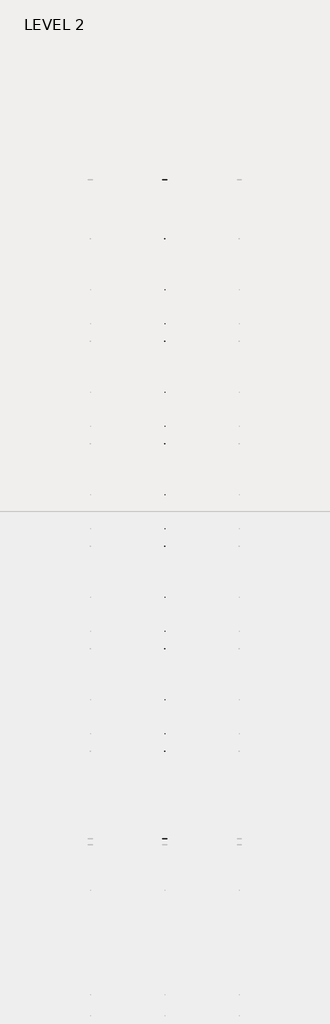
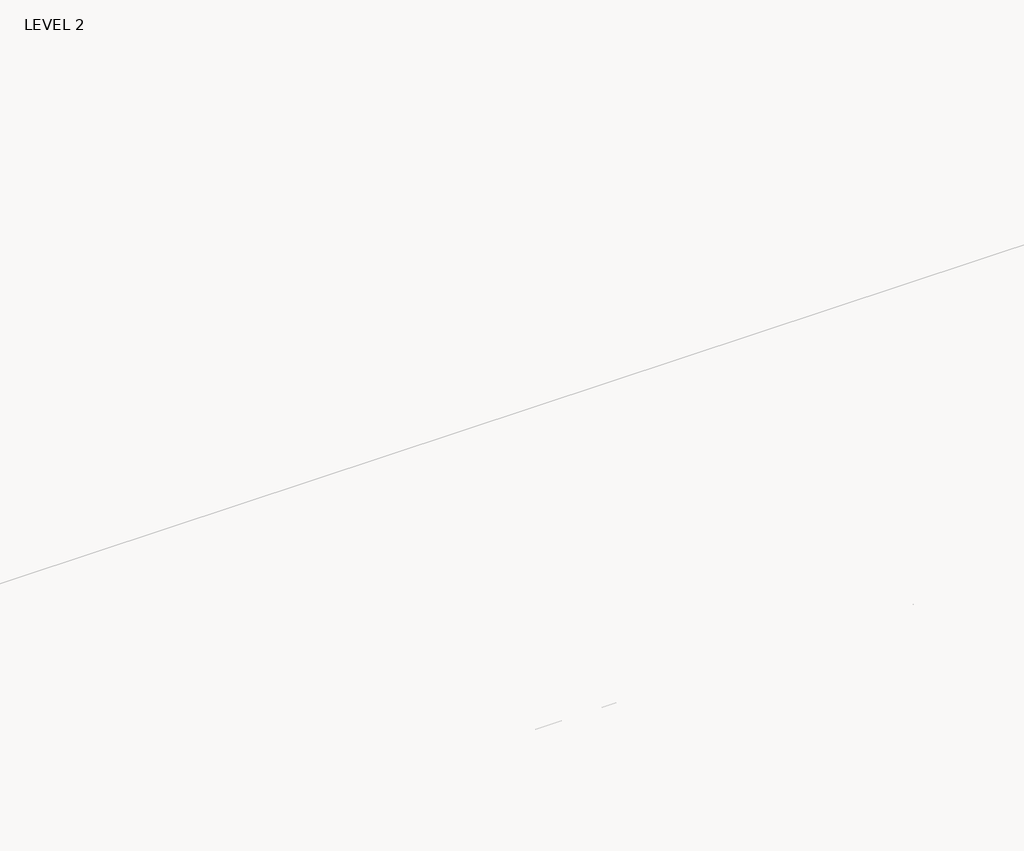
# One storey, part 27 of 67: 1 beam.
"""IFC4 building model written with IfcOpenShell, lengths in millimetres."""

from ifc_helpers import new_model, si_unit, frame, origin, place, context, project, spatial, polyline, outline, extrude, faceted_brep, element, save

model = new_model("IFC4")

# Units and contexts
model_context = context("Model", 3, world=origin())
ifc_project = project(units=[si_unit("LENGTHUNIT", "METRE", prefix="MILLI")], contexts=[model_context])

# Site, building, storey
site = spatial("IfcSite", under=ifc_project)
building = spatial("IfcBuilding", under=site)
storey = spatial("IfcBuildingStorey", under=building, Name="LEVEL 2", Elevation=6908.8)

# Beam
placement = place(None, origin())
element("IfcBeam", 1, ObjectType="K-Series Bar Joist-Angle Web : 20K3", at=placement, inside=storey, context=model_context, shape_type="SolidModel", body=[
    extrude(outline(polyline([(0.0, -9.525), (0.0, 0.0), (1028.0726482, 0.0), (1028.0726482, -9.525), (0.0, -9.525)])), frame((16225.0814942, 3035.5839205, 6301.58688), z_axis=(0.0, -0.4590612504427091, 0.8884046197212035), x_axis=(0.0, -0.8884046197212035, -0.4590612504427091)), (0.0, 0.0, 1.0), 9.525),
    extrude(outline(polyline([(0.0, -9.525), (0.0, 0.0), (1028.0726482, 0.0), (1028.0726482, -9.525), (0.0, -9.525)])), frame((16215.5564942, -8186.0164735, 6276.4352176), z_axis=(0.0, 0.45507418639266606, 0.8904535276358071), x_axis=(0.0, 0.8904535276358071, -0.45507418639266606)), (0.0, 0.0, 1.0), 9.525),
    extrude(outline(polyline([(4.7625, 4.7625), (4.7625, -4.7624999), (-4.7625, -4.7624999), (-4.7625, 4.7625), (4.7625, 4.7625)])), frame((16220.3189942, 2120.0531513, 5833.8695915), z_axis=(0.0, 0.5277744838731272, 0.8493845384585561), x_axis=(-1.0, 0.0, 0.0)), (0.0, 0.0, 1.0), 553.9970421),
    extrude(outline(polyline([(4.7625, 4.7625), (4.7625, -4.7625), (-4.7625, -4.7625), (-4.7625, 4.7625), (4.7625, 4.7625)])), frame((16220.3189942, -7268.3982664, 5812.8266786), z_axis=(0.0, -0.5315767175055621, 0.8470101495295153), x_axis=(-1.0, 0.0, 0.0)), (0.0, 0.0, 1.0), 553.9970421),
    extrude(outline(polyline([(0.0, 0.0), (31.75, 0.0), (31.75, -6.35), (6.35, -6.35), (6.35, -31.75), (0.0, -31.75), (0.0, 0.0)])), frame((16225.0814942, -7369.9837786, 5806.2489728), z_axis=(0.0, 0.9999974881589226, 0.0022413558051810334), x_axis=(1.0, 0.0, 0.0)), (0.0, 0.0, 1.0), 9591.675),
    extrude(outline(polyline([(-9.525, 0.0), (-9.525, -31.75), (-15.875, -31.75), (-15.875, -6.35), (-41.275, -6.35), (-41.275, 0.0), (-9.525, 0.0)])), frame((16225.0814942, -7369.9837786, 5806.2489728), z_axis=(0.0, 0.9999974881589226, 0.0022413558051810334), x_axis=(1.0, 0.0, 0.0)), (0.0, 0.0, 1.0), 9591.675),
    extrude(outline(polyline([(-31.75, 0.0), (0.0, 0.0), (0.0, -6.3500001), (-25.4, -6.3500001), (-25.4, -31.7500001), (-31.75, -31.7500001), (-31.75, 0.0)])), frame((16256.8314942, -8285.3777644, 6248.6983605), z_axis=(0.0, 0.9999974881589226, 0.0022413558051810334), x_axis=(1.0, 0.0, 0.0)), (0.0, 0.0, 1.0), 101.6),
    extrude(outline(polyline([(-41.275, 0.0), (-41.275, -31.7500001), (-47.625, -31.7500001), (-47.625, -6.3500001), (-73.025, -6.3500001), (-73.025, 0.0), (-41.275, 0.0)])), frame((16256.8314942, -8285.3777644, 6248.6983605), z_axis=(0.0, 0.9999974881589226, 0.0022413558051810334), x_axis=(1.0, 0.0, 0.0)), (0.0, 0.0, 1.0), 101.6),
    extrude(outline(polyline([(0.0, 0.0), (31.7500001, 0.0), (31.7500001, -6.35), (6.3500001, -6.35), (6.3500001, -31.75), (0.0, -31.75), (0.0, 0.0)])), frame((16215.5564942, 3033.4688044, 6274.0679867), z_axis=(0.0, 0.9999974881589226, 0.0022413558051810334), x_axis=(0.0, -0.0022413558051810334, 0.9999974881589226)), (0.0, 0.0, 1.0), 101.6),
    extrude(outline(polyline([(0.0, 41.275), (6.3500001, 41.275), (6.3500001, 15.875), (31.7500001, 15.875), (31.7500001, 9.525), (0.0, 9.525), (0.0, 41.275)])), frame((16215.5564942, 3033.4688044, 6274.0679867), z_axis=(0.0, 0.9999974881589226, 0.0022413558051810334), x_axis=(0.0, -0.0022413558051810334, 0.9999974881589226)), (0.0, 0.0, 1.0), 101.6),
    extrude(outline(polyline([(0.0, 0.0), (31.75, 0.0), (31.75, -6.35), (6.35, -6.35), (6.35, -31.75), (0.0, -31.75), (0.0, 0.0)])), frame((16225.0814942, -8285.5200905, 6312.198201), z_axis=(0.0, 0.9999974881589226, 0.0022413558051810334), x_axis=(0.0, 0.0022413558051810334, -0.9999974881589226)), (0.0, 0.0, 1.0), 11420.475),
    extrude(outline(polyline([(0.0, 9.525), (0.0, 41.275), (6.35, 41.275), (6.35, 15.875), (31.75, 15.875), (31.75, 9.525), (0.0, 9.525)])), frame((16225.0814942, -8285.5200905, 6312.198201), z_axis=(0.0, 0.9999974881589226, 0.0022413558051810334), x_axis=(0.0, 0.0022413558051810334, -0.9999974881589226)), (0.0, 0.0, 1.0), 11420.475),
    faceted_brep([(16220.3189942, 2120.0175697, 5849.7445517), (16220.3189942, 2120.0602676, 5830.6945995), (16215.5564942, 2120.0602676, 5830.6945995), (16215.5564942, 2120.0175697, 5849.7445517), (16220.3189942, 2119.1460678, 5849.7425983), (16220.3189942, 1837.3256415, 6331.7121491), (16220.3189942, 1819.1471913, 6331.6714046), (16220.3189942, 1819.1898891, 6312.6214525), (16220.3189942, 1826.4113751, 6312.6376384), (16220.3189942, 2108.2318014, 5830.6680876), (16215.5564942, 2108.2318014, 5830.6680876), (16215.5564942, 2087.8369021, 5865.547463), (16215.5564942, 2091.9481538, 5867.9514213), (16215.5564942, 1839.7930356, 6299.1873352), (16215.5564942, 1835.6817839, 6296.7833769), (16215.5564942, 1826.4113751, 6312.6376384), (16215.5564942, 1819.1898891, 6312.6214525), (16215.5564942, 1819.1471913, 6331.6714046), (16215.5564942, 1837.3256415, 6331.7121491), (16215.5564942, 2119.1460678, 5849.7425983), (16202.8564942, 1835.6817839, 6296.7833769), (16202.8564942, 2087.8369021, 5865.547463), (16202.8564942, 2091.9481538, 5867.9514213), (16202.8564942, 1839.7930356, 6299.1873352)], [[[0, 1, 2, 3]], [[1, 0, 4, 5, 6, 7, 8, 9]], [[2, 1, 9, 10]], [[3, 2, 10, 11, 12, 13, 14, 15, 16, 17, 18, 19]], [[0, 3, 19, 4]], [[9, 8, 15, 14, 20, 21, 11, 10]], [[5, 4, 19, 18]], [[7, 6, 17, 16]], [[8, 7, 16, 15]], [[6, 5, 18, 17]], [[21, 22, 12, 11]], [[20, 14, 13, 23]], [[22, 21, 20, 23]], [[12, 22, 23, 13]]]),
    extrude(outline(polyline([(1533.1828355, 5829.3791951), (1533.1401376, 5848.4291472), (1534.0116396, 5848.4311006), (1813.6687092, 6331.6591254), (1831.8471594, 6331.6998698), (1831.8898572, 6312.6499177), (1824.6683713, 6312.6337317), (1545.0113016, 5829.4057069), (1533.1828355, 5829.3791951)])), frame((16220.3189942, 0.0, 0.0), z_axis=(1.0, 0.0, 0.0), x_axis=(0.0, 1.0, 0.0)), (0.0, 0.0, 1.0), 4.7625),
    extrude(outline(polyline([(-4.7625, 4.7625), (-4.7625, 0.0), (-17.4625, 0.0), (-17.4625, 4.7625), (-4.7625, 4.7625)])), frame((16220.3189942, 1565.2496422, 5864.3761561), z_axis=(0.0, 0.5008933658556247, 0.865509004021231), x_axis=(-1.0, 0.0, 0.0)), (0.0, 0.0, 1.0), 499.5464113),
    faceted_brep([(16220.3189942, -6681.5564158, 5830.0170432), (16220.3189942, -6681.513718, 5810.967091), (16215.5564942, -6681.513718, 5810.967091), (16215.5564942, -6681.5564158, 5830.0170432), (16220.3189942, -6682.4279177, 5830.0150898), (16220.3189942, -6964.248344, 6311.9846406), (16220.3189942, -6982.4267942, 6311.9438961), (16220.3189942, -6982.3840964, 6292.893944), (16220.3189942, -6975.1626104, 6292.9101299), (16220.3189942, -6693.3421841, 5810.9405791), (16215.5564942, -6693.3421841, 5810.9405791), (16215.5564942, -6713.7370834, 5845.8199545), (16215.5564942, -6709.6258317, 5848.2239128), (16215.5564942, -6961.7809499, 6279.4598267), (16215.5564942, -6965.8922016, 6277.0558684), (16215.5564942, -6975.1626104, 6292.9101299), (16215.5564942, -6982.3840964, 6292.893944), (16215.5564942, -6982.4267942, 6311.9438961), (16215.5564942, -6964.248344, 6311.9846406), (16215.5564942, -6682.4279177, 5830.0150898), (16202.8564942, -6965.8922016, 6277.0558684), (16202.8564942, -6713.7370834, 5845.8199545), (16202.8564942, -6709.6258317, 5848.2239128), (16202.8564942, -6961.7809499, 6279.4598267)], [[[0, 1, 2, 3]], [[1, 0, 4, 5, 6, 7, 8, 9]], [[2, 1, 9, 10]], [[3, 2, 10, 11, 12, 13, 14, 15, 16, 17, 18, 19]], [[0, 3, 19, 4]], [[9, 8, 15, 14, 20, 21, 11, 10]], [[5, 4, 19, 18]], [[7, 6, 17, 16]], [[8, 7, 16, 15]], [[6, 5, 18, 17]], [[21, 22, 12, 11]], [[20, 14, 13, 23]], [[22, 21, 20, 23]], [[12, 22, 23, 13]]]),
    extrude(outline(polyline([(-7268.3911501, 5809.6516866), (-7268.4338479, 5828.7016387), (-7267.562346, 5828.7035921), (-6987.9052763, 6311.9316169), (-6969.7268261, 6311.9723613), (-6969.6841283, 6292.9224092), (-6976.9056143, 6292.9062232), (-7256.5626839, 5809.6781984), (-7268.3911501, 5809.6516866)])), frame((16220.3189942, 0.0, 0.0), z_axis=(1.0, 0.0, 0.0), x_axis=(0.0, 1.0, 0.0)), (0.0, 0.0, 1.0), 4.7625),
    extrude(outline(polyline([(-4.7625, 4.7625), (-4.7625, 0.0), (-17.4625, 0.0), (-17.4625, 4.7625), (-4.7625, 4.7625)])), frame((16220.3189942, -7236.3243434, 5844.6486476), z_axis=(0.0, 0.5008933658556247, 0.865509004021231), x_axis=(-1.0, 0.0, 0.0)), (0.0, 0.0, 1.0), 499.5464113),
    faceted_brep([(16220.3189942, 1533.2459707, 5848.4293844), (16220.3189942, 1533.2886685, 5829.3794323), (16215.5564942, 1533.2886685, 5829.3794323), (16215.5564942, 1533.2459707, 5848.4293844), (16220.3189942, 1532.3744688, 5848.4274311), (16220.3189942, 1250.5540425, 6330.3969819), (16220.3189942, 1232.3755923, 6330.3562374), (16220.3189942, 1232.4182901, 6311.3062852), (16220.3189942, 1239.6397761, 6311.3224712), (16220.3189942, 1521.4602024, 5829.3529204), (16215.5564942, 1521.4602024, 5829.3529204), (16215.5564942, 1501.0653031, 5864.2322958), (16215.5564942, 1505.1765548, 5866.6362541), (16215.5564942, 1253.0214366, 6297.872168), (16215.5564942, 1248.9101849, 6295.4682097), (16215.5564942, 1239.6397761, 6311.3224712), (16215.5564942, 1232.4182901, 6311.3062852), (16215.5564942, 1232.3755923, 6330.3562374), (16215.5564942, 1250.5540425, 6330.3969819), (16215.5564942, 1532.3744688, 5848.4274311), (16202.8564942, 1248.9101849, 6295.4682097), (16202.8564942, 1501.0653031, 5864.2322958), (16202.8564942, 1505.1765548, 5866.6362541), (16202.8564942, 1253.0214366, 6297.872168)], [[[0, 1, 2, 3]], [[1, 0, 4, 5, 6, 7, 8, 9]], [[2, 1, 9, 10]], [[3, 2, 10, 11, 12, 13, 14, 15, 16, 17, 18, 19]], [[0, 3, 19, 4]], [[9, 8, 15, 14, 20, 21, 11, 10]], [[5, 4, 19, 18]], [[7, 6, 17, 16]], [[8, 7, 16, 15]], [[6, 5, 18, 17]], [[21, 22, 12, 11]], [[20, 14, 13, 23]], [[22, 21, 20, 23]], [[12, 22, 23, 13]]]),
    extrude(outline(polyline([(946.4112364, 5828.0640278), (946.3685386, 5847.11398), (947.2400405, 5847.1159333), (1226.8971102, 6330.3439581), (1245.0755604, 6330.3847026), (1245.1182582, 6311.3347505), (1237.8967722, 6311.3185645), (958.2397026, 5828.0905397), (946.4112364, 5828.0640278)])), frame((16220.3189942, 0.0, 0.0), z_axis=(1.0, 0.0, 0.0), x_axis=(0.0, 1.0, 0.0)), (0.0, 0.0, 1.0), 4.7625),
    extrude(outline(polyline([(-4.7625, 4.7625), (-4.7625, 0.0), (-17.4625, 0.0), (-17.4625, 4.7625), (-4.7625, 4.7625)])), frame((16220.3189942, 978.4780432, 5863.0609889), z_axis=(0.0, 0.5008933658556247, 0.865509004021231), x_axis=(-1.0, 0.0, 0.0)), (0.0, 0.0, 1.0), 499.5464113),
    faceted_brep([(16220.3189942, 946.4743717, 5847.1142172), (16220.3189942, 946.5170695, 5828.064265), (16215.5564942, 946.5170695, 5828.064265), (16215.5564942, 946.4743717, 5847.1142172), (16220.3189942, 945.6028697, 5847.1122638), (16220.3189942, 663.7824435, 6329.0818146), (16220.3189942, 645.6039932, 6329.0410701), (16220.3189942, 645.6466911, 6309.991118), (16220.3189942, 652.8681771, 6310.007304), (16220.3189942, 934.6886033, 5828.0377532), (16215.5564942, 934.6886033, 5828.0377532), (16215.5564942, 914.2937041, 5862.9171286), (16215.5564942, 918.4049558, 5865.3210869), (16215.5564942, 666.2498375, 6296.5570007), (16215.5564942, 662.1385858, 6294.1530424), (16215.5564942, 652.8681771, 6310.007304), (16215.5564942, 645.6466911, 6309.991118), (16215.5564942, 645.6039932, 6329.0410701), (16215.5564942, 663.7824435, 6329.0818146), (16215.5564942, 945.6028697, 5847.1122638), (16202.8564942, 662.1385858, 6294.1530424), (16202.8564942, 914.2937041, 5862.9171286), (16202.8564942, 918.4049558, 5865.3210869), (16202.8564942, 666.2498375, 6296.5570007)], [[[0, 1, 2, 3]], [[1, 0, 4, 5, 6, 7, 8, 9]], [[2, 1, 9, 10]], [[3, 2, 10, 11, 12, 13, 14, 15, 16, 17, 18, 19]], [[0, 3, 19, 4]], [[9, 8, 15, 14, 20, 21, 11, 10]], [[5, 4, 19, 18]], [[7, 6, 17, 16]], [[8, 7, 16, 15]], [[6, 5, 18, 17]], [[21, 22, 12, 11]], [[20, 14, 13, 23]], [[22, 21, 20, 23]], [[12, 22, 23, 13]]]),
    extrude(outline(polyline([(359.6396374, 5826.7488606), (359.5969396, 5845.7988128), (360.4684415, 5845.8007661), (640.1255111, 6329.0287909), (658.3039613, 6329.0695354), (658.3466592, 6310.0195832), (651.1251732, 6310.0033973), (371.4681035, 5826.7753725), (359.6396374, 5826.7488606)])), frame((16220.3189942, 0.0, 0.0), z_axis=(1.0, 0.0, 0.0), x_axis=(0.0, 1.0, 0.0)), (0.0, 0.0, 1.0), 4.7625),
    extrude(outline(polyline([(-4.7625, 4.7625), (-4.7625, 0.0), (-17.4625, 0.0), (-17.4625, 4.7625), (-4.7625, 4.7625)])), frame((16220.3189942, 391.7064441, 5861.7458216), z_axis=(0.0, 0.5008933658556247, 0.865509004021231), x_axis=(-1.0, 0.0, 0.0)), (0.0, 0.0, 1.0), 499.5464113),
    faceted_brep([(16220.3189942, 359.7027726, 5845.79905), (16220.3189942, 359.7454705, 5826.7490978), (16215.5564942, 359.7454705, 5826.7490978), (16215.5564942, 359.7027726, 5845.79905), (16220.3189942, 358.8312707, 5845.7970966), (16220.3189942, 77.0108444, 6327.7666474), (16220.3189942, 58.8323942, 6327.7259029), (16220.3189942, 58.875092, 6308.6759508), (16220.3189942, 66.096578, 6308.6921367), (16220.3189942, 347.9170043, 5826.7225859), (16215.5564942, 347.9170043, 5826.7225859), (16215.5564942, 327.522105, 5861.6019613), (16215.5564942, 331.6333567, 5864.0059196), (16215.5564942, 79.4782385, 6295.2418335), (16215.5564942, 75.3669868, 6292.8378752), (16215.5564942, 66.096578, 6308.6921367), (16215.5564942, 58.875092, 6308.6759508), (16215.5564942, 58.8323942, 6327.7259029), (16215.5564942, 77.0108444, 6327.7666474), (16215.5564942, 358.8312707, 5845.7970966), (16202.8564942, 75.3669868, 6292.8378752), (16202.8564942, 327.522105, 5861.6019613), (16202.8564942, 331.6333567, 5864.0059196), (16202.8564942, 79.4782385, 6295.2418335)], [[[0, 1, 2, 3]], [[1, 0, 4, 5, 6, 7, 8, 9]], [[2, 1, 9, 10]], [[3, 2, 10, 11, 12, 13, 14, 15, 16, 17, 18, 19]], [[0, 3, 19, 4]], [[9, 8, 15, 14, 20, 21, 11, 10]], [[5, 4, 19, 18]], [[7, 6, 17, 16]], [[8, 7, 16, 15]], [[6, 5, 18, 17]], [[21, 22, 12, 11]], [[20, 14, 13, 23]], [[22, 21, 20, 23]], [[12, 22, 23, 13]]]),
    extrude(outline(polyline([(-227.1319616, 5825.4336934), (-227.1746595, 5844.4836455), (-226.3031575, 5844.4855989), (53.3539121, 6327.7136237), (71.5323623, 6327.7543681), (71.5750601, 6308.704416), (64.3535742, 6308.68823), (-215.3034955, 5825.4602052), (-227.1319616, 5825.4336934)])), frame((16220.3189942, 0.0, 0.0), z_axis=(1.0, 0.0, 0.0), x_axis=(0.0, 1.0, 0.0)), (0.0, 0.0, 1.0), 4.7625),
    extrude(outline(polyline([(-4.7625, 4.7625001), (-4.7625, 0.0), (-17.4625, 0.0), (-17.4625, 4.7625001), (-4.7625, 4.7625001)])), frame((16220.3189942, -195.0651549, 5860.4306544), z_axis=(0.0, 0.5008933658556247, 0.865509004021231), x_axis=(-1.0, 0.0, 0.0)), (0.0, 0.0, 1.0), 499.5464113),
    faceted_brep([(16220.3189942, -527.896507, 6307.3607835), (16220.3189942, -527.9392048, 6326.4107357), (16215.5564942, -527.9392048, 6326.4107357), (16215.5564942, -527.896507, 6307.3607835), (16220.3189942, -520.675021, 6307.3769695), (16215.5564942, -520.675021, 6307.3769695), (16202.8564942, -255.1382423, 5862.6907524), (16202.8564942, -259.249494, 5860.2867941), (16202.8564942, -511.4046122, 6291.522708), (16202.8564942, -507.2933605, 6293.9266663), (16220.3189942, -227.0688264, 5844.4838827), (16220.3189942, -227.0261286, 5825.4339306), (16215.5564942, -227.0261286, 5825.4339306), (16215.5564942, -227.0688264, 5844.4838827), (16220.3189942, -227.9403283, 5844.4819294), (16220.3189942, -509.7607546, 6326.4514802), (16220.3189942, -238.8545947, 5825.4074187), (16215.5564942, -238.8545947, 5825.4074187), (16215.5564942, -259.249494, 5860.2867941), (16215.5564942, -255.1382423, 5862.6907524), (16215.5564942, -507.2933605, 6293.9266663), (16215.5564942, -511.4046122, 6291.522708), (16215.5564942, -509.7607546, 6326.4514802), (16215.5564942, -227.9403283, 5844.4819294)], [[[0, 1, 2, 3]], [[4, 0, 3, 5]], [[6, 7, 8, 9]], [[10, 11, 12, 13]], [[11, 10, 14, 15, 1, 0, 4, 16]], [[12, 11, 16, 17]], [[13, 12, 17, 18, 19, 20, 21, 5, 3, 2, 22, 23]], [[10, 13, 23, 14]], [[16, 4, 5, 21, 8, 7, 18, 17]], [[15, 14, 23, 22]], [[1, 15, 22, 2]], [[7, 6, 19, 18]], [[8, 21, 20, 9]], [[19, 6, 9, 20]]]),
    extrude(outline(polyline([(-813.9035607, 5824.1185261), (-813.9462585, 5843.1684783), (-813.0747566, 5843.1704316), (-533.4176869, 6326.3984564), (-515.2392367, 6326.4392009), (-515.1965389, 6307.3892488), (-522.4180249, 6307.3730628), (-802.0750945, 5824.145038), (-813.9035607, 5824.1185261)])), frame((16220.3189942, 0.0, 0.0), z_axis=(1.0, 0.0, 0.0), x_axis=(0.0, 1.0, 0.0)), (0.0, 0.0, 1.0), 4.7625),
    extrude(outline(polyline([(-4.7625, 4.7624999), (-4.7625, 0.0), (-17.4625, 0.0), (-17.4625, 4.7624999), (-4.7625, 4.7624999)])), frame((16220.3189942, -781.836754, 5859.1154872), z_axis=(0.0, 0.5008933658556247, 0.865509004021231), x_axis=(-1.0, 0.0, 0.0)), (0.0, 0.0, 1.0), 499.5464113),
    faceted_brep([(16220.3189942, -1114.668106, 6306.0456163), (16220.3189942, -1114.7108039, 6325.0955684), (16215.5564942, -1114.7108039, 6325.0955684), (16215.5564942, -1114.668106, 6306.0456163), (16220.3189942, -1107.44662, 6306.0618023), (16215.5564942, -1107.44662, 6306.0618023), (16202.8564942, -841.9098413, 5861.3755852), (16202.8564942, -846.021093, 5858.9716269), (16202.8564942, -1098.1762113, 6290.2075407), (16202.8564942, -1094.0649596, 6292.611499), (16220.3189942, -813.8404254, 5843.1687155), (16220.3189942, -813.7977276, 5824.1187633), (16215.5564942, -813.7977276, 5824.1187633), (16215.5564942, -813.8404254, 5843.1687155), (16220.3189942, -814.7119274, 5843.1667621), (16220.3189942, -1096.5323536, 6325.1363129), (16220.3189942, -825.6261938, 5824.0922515), (16215.5564942, -825.6261938, 5824.0922515), (16215.5564942, -846.021093, 5858.9716269), (16215.5564942, -841.9098413, 5861.3755852), (16215.5564942, -1094.0649596, 6292.611499), (16215.5564942, -1098.1762113, 6290.2075407), (16215.5564942, -1096.5323536, 6325.1363129), (16215.5564942, -814.7119274, 5843.1667621)], [[[0, 1, 2, 3]], [[4, 0, 3, 5]], [[6, 7, 8, 9]], [[10, 11, 12, 13]], [[11, 10, 14, 15, 1, 0, 4, 16]], [[12, 11, 16, 17]], [[13, 12, 17, 18, 19, 20, 21, 5, 3, 2, 22, 23]], [[10, 13, 23, 14]], [[16, 4, 5, 21, 8, 7, 18, 17]], [[15, 14, 23, 22]], [[1, 15, 22, 2]], [[7, 6, 19, 18]], [[8, 21, 20, 9]], [[19, 6, 9, 20]]]),
    extrude(outline(polyline([(-1400.6751597, 5822.8033589), (-1400.7178575, 5841.8533111), (-1399.8463556, 5841.8552644), (-1120.189286, 6325.0832892), (-1102.0108358, 6325.1240337), (-1101.9681379, 6306.0740815), (-1109.1896239, 6306.0578956), (-1388.8466936, 5822.8298708), (-1400.6751597, 5822.8033589)])), frame((16220.3189942, 0.0, 0.0), z_axis=(1.0, 0.0, 0.0), x_axis=(0.0, 1.0, 0.0)), (0.0, 0.0, 1.0), 4.7625),
    extrude(outline(polyline([(-4.7625, 4.7625), (-4.7625, 0.0), (-17.4625, 0.0), (-17.4625, 4.7625), (-4.7625, 4.7625)])), frame((16220.3189942, -1368.608353, 5857.8003199), z_axis=(0.0, 0.5008933658556247, 0.865509004021231), x_axis=(-1.0, 0.0, 0.0)), (0.0, 0.0, 1.0), 499.5464113),
    faceted_brep([(16220.3189942, -1701.4397051, 6304.7304491), (16220.3189942, -1701.4824029, 6323.7804012), (16215.5564942, -1701.4824029, 6323.7804012), (16215.5564942, -1701.4397051, 6304.7304491), (16220.3189942, -1694.2182191, 6304.746635), (16215.5564942, -1694.2182191, 6304.746635), (16202.8564942, -1428.6814404, 5860.0604179), (16202.8564942, -1432.7926921, 5857.6564596), (16202.8564942, -1684.9478103, 6288.8923735), (16202.8564942, -1680.8365586, 6291.2963318), (16220.3189942, -1400.6120245, 5841.8535483), (16220.3189942, -1400.5693267, 5822.8035961), (16215.5564942, -1400.5693267, 5822.8035961), (16215.5564942, -1400.6120245, 5841.8535483), (16220.3189942, -1401.4835264, 5841.8515949), (16220.3189942, -1683.3039527, 6323.8211457), (16220.3189942, -1412.3977928, 5822.7770842), (16215.5564942, -1412.3977928, 5822.7770842), (16215.5564942, -1432.7926921, 5857.6564596), (16215.5564942, -1428.6814404, 5860.0604179), (16215.5564942, -1680.8365586, 6291.2963318), (16215.5564942, -1684.9478103, 6288.8923735), (16215.5564942, -1683.3039527, 6323.8211457), (16215.5564942, -1401.4835264, 5841.8515949)], [[[0, 1, 2, 3]], [[4, 0, 3, 5]], [[6, 7, 8, 9]], [[10, 11, 12, 13]], [[11, 10, 14, 15, 1, 0, 4, 16]], [[12, 11, 16, 17]], [[13, 12, 17, 18, 19, 20, 21, 5, 3, 2, 22, 23]], [[10, 13, 23, 14]], [[16, 4, 5, 21, 8, 7, 18, 17]], [[15, 14, 23, 22]], [[1, 15, 22, 2]], [[7, 6, 19, 18]], [[8, 21, 20, 9]], [[19, 6, 9, 20]]]),
    extrude(outline(polyline([(-1987.4467588, 5821.4881917), (-1987.4894566, 5840.5381438), (-1986.6179546, 5840.5400972), (-1706.960885, 6323.768122), (-1688.7824348, 6323.8088664), (-1688.739737, 6304.7589143), (-1695.961223, 6304.7427283), (-1975.6182926, 5821.5147035), (-1987.4467588, 5821.4881917)])), frame((16220.3189942, 0.0, 0.0), z_axis=(1.0, 0.0, 0.0), x_axis=(0.0, 1.0, 0.0)), (0.0, 0.0, 1.0), 4.7625),
    extrude(outline(polyline([(-4.7625, 4.7625001), (-4.7625, 0.0), (-17.4625, 0.0), (-17.4625, 4.7625001), (-4.7625, 4.7625001)])), frame((16220.3189942, -1955.379952, 5856.4851527), z_axis=(0.0, 0.5008933658556247, 0.865509004021231), x_axis=(-1.0, 0.0, 0.0)), (0.0, 0.0, 1.0), 499.5464113),
    faceted_brep([(16220.3189942, -2288.2113041, 6303.4152818), (16220.3189942, -2288.2540019, 6322.465234), (16215.5564942, -2288.2540019, 6322.465234), (16215.5564942, -2288.2113041, 6303.4152818), (16220.3189942, -2280.9898181, 6303.4314678), (16215.5564942, -2280.9898181, 6303.4314678), (16202.8564942, -2015.4530394, 5858.7452507), (16202.8564942, -2019.5642911, 5856.3412924), (16202.8564942, -2271.7194094, 6287.5772063), (16202.8564942, -2267.6081576, 6289.9811646), (16220.3189942, -1987.3836235, 5840.538381), (16220.3189942, -1987.3409257, 5821.4884289), (16215.5564942, -1987.3409257, 5821.4884289), (16215.5564942, -1987.3836235, 5840.538381), (16220.3189942, -1988.2551255, 5840.5364277), (16220.3189942, -2270.0755517, 6322.5059785), (16220.3189942, -1999.1693919, 5821.461917), (16215.5564942, -1999.1693919, 5821.461917), (16215.5564942, -2019.5642911, 5856.3412924), (16215.5564942, -2015.4530394, 5858.7452507), (16215.5564942, -2267.6081576, 6289.9811646), (16215.5564942, -2271.7194094, 6287.5772063), (16215.5564942, -2270.0755517, 6322.5059785), (16215.5564942, -1988.2551255, 5840.5364277)], [[[0, 1, 2, 3]], [[4, 0, 3, 5]], [[6, 7, 8, 9]], [[10, 11, 12, 13]], [[11, 10, 14, 15, 1, 0, 4, 16]], [[12, 11, 16, 17]], [[13, 12, 17, 18, 19, 20, 21, 5, 3, 2, 22, 23]], [[10, 13, 23, 14]], [[16, 4, 5, 21, 8, 7, 18, 17]], [[15, 14, 23, 22]], [[1, 15, 22, 2]], [[7, 6, 19, 18]], [[8, 21, 20, 9]], [[19, 6, 9, 20]]]),
    extrude(outline(polyline([(-2574.2183578, 5820.1730244), (-2574.2610556, 5839.2229766), (-2573.3895537, 5839.2249299), (-2293.732484, 6322.4529547), (-2275.5540338, 6322.4936992), (-2275.511336, 6303.4437471), (-2282.732822, 6303.4275611), (-2562.3898916, 5820.1995363), (-2574.2183578, 5820.1730244)])), frame((16220.3189942, 0.0, 0.0), z_axis=(1.0, 0.0, 0.0), x_axis=(0.0, 1.0, 0.0)), (0.0, 0.0, 1.0), 4.7625),
    extrude(outline(polyline([(-4.7625, 4.7624999), (-4.7625, 0.0), (-17.4625, 0.0), (-17.4625, 4.7624999), (-4.7625, 4.7624999)])), frame((16220.3189942, -2542.1515511, 5855.1699855), z_axis=(0.0, 0.5008933658556247, 0.865509004021231), x_axis=(-1.0, 0.0, 0.0)), (0.0, 0.0, 1.0), 499.5464113),
    faceted_brep([(16220.3189942, -2574.1552226, 5839.2232138), (16220.3189942, -2574.1125247, 5820.1732616), (16215.5564942, -2574.1125247, 5820.1732616), (16215.5564942, -2574.1552226, 5839.2232138), (16220.3189942, -2575.0267245, 5839.2212604), (16220.3189942, -2856.8471508, 6321.1908112), (16220.3189942, -2875.025601, 6321.1500667), (16220.3189942, -2874.9829031, 6302.1001146), (16220.3189942, -2867.7614172, 6302.1163006), (16220.3189942, -2585.9409909, 5820.1467498), (16215.5564942, -2585.9409909, 5820.1467498), (16215.5564942, -2606.3358902, 5855.0261252), (16215.5564942, -2602.2246384, 5857.4300835), (16215.5564942, -2854.3797567, 6288.6659973), (16215.5564942, -2858.4910084, 6286.262039), (16215.5564942, -2867.7614172, 6302.1163006), (16215.5564942, -2874.9829031, 6302.1001146), (16215.5564942, -2875.025601, 6321.1500667), (16215.5564942, -2856.8471508, 6321.1908112), (16215.5564942, -2575.0267245, 5839.2212604), (16202.8564942, -2858.4910084, 6286.262039), (16202.8564942, -2606.3358902, 5855.0261252), (16202.8564942, -2602.2246384, 5857.4300835), (16202.8564942, -2854.3797567, 6288.6659973)], [[[0, 1, 2, 3]], [[1, 0, 4, 5, 6, 7, 8, 9]], [[2, 1, 9, 10]], [[3, 2, 10, 11, 12, 13, 14, 15, 16, 17, 18, 19]], [[0, 3, 19, 4]], [[9, 8, 15, 14, 20, 21, 11, 10]], [[5, 4, 19, 18]], [[7, 6, 17, 16]], [[8, 7, 16, 15]], [[6, 5, 18, 17]], [[21, 22, 12, 11]], [[20, 14, 13, 23]], [[22, 21, 20, 23]], [[12, 22, 23, 13]]]),
    extrude(outline(polyline([(-3160.9899568, 5818.8578572), (-3161.0326547, 5837.9078094), (-3160.1611527, 5837.9097627), (-2880.5040831, 6321.1377875), (-2862.3256329, 6321.178532), (-2862.282935, 6302.1285798), (-2869.504421, 6302.1123939), (-3149.1614907, 5818.8843691), (-3160.9899568, 5818.8578572)])), frame((16220.3189942, 0.0, 0.0), z_axis=(1.0, 0.0, 0.0), x_axis=(0.0, 1.0, 0.0)), (0.0, 0.0, 1.0), 4.7625),
    extrude(outline(polyline([(-4.7625, 4.7625), (-4.7625, 0.0), (-17.4625, 0.0), (-17.4625, 4.7625), (-4.7625, 4.7625)])), frame((16220.3189942, -3128.9231501, 5853.8548182), z_axis=(0.0, 0.5008933658556247, 0.865509004021231), x_axis=(-1.0, 0.0, 0.0)), (0.0, 0.0, 1.0), 499.5464113),
    faceted_brep([(16220.3189942, -3160.9268216, 5837.9080466), (16220.3189942, -3160.8841238, 5818.8580944), (16215.5564942, -3160.8841238, 5818.8580944), (16215.5564942, -3160.9268216, 5837.9080466), (16220.3189942, -3161.7983235, 5837.9060932), (16220.3189942, -3443.6187498, 6319.875644), (16220.3189942, -3461.7972, 6319.8348995), (16220.3189942, -3461.7545022, 6300.7849474), (16220.3189942, -3454.5330162, 6300.8011333), (16220.3189942, -3172.7125899, 5818.8315825), (16215.5564942, -3172.7125899, 5818.8315825), (16215.5564942, -3193.1074892, 5853.7109579), (16215.5564942, -3188.9962375, 5856.1149162), (16215.5564942, -3441.1513557, 6287.3508301), (16215.5564942, -3445.2626074, 6284.9468718), (16215.5564942, -3454.5330162, 6300.8011333), (16215.5564942, -3461.7545022, 6300.7849474), (16215.5564942, -3461.7972, 6319.8348995), (16215.5564942, -3443.6187498, 6319.875644), (16215.5564942, -3161.7983235, 5837.9060932), (16202.8564942, -3445.2626074, 6284.9468718), (16202.8564942, -3193.1074892, 5853.7109579), (16202.8564942, -3188.9962375, 5856.1149162), (16202.8564942, -3441.1513557, 6287.3508301)], [[[0, 1, 2, 3]], [[1, 0, 4, 5, 6, 7, 8, 9]], [[2, 1, 9, 10]], [[3, 2, 10, 11, 12, 13, 14, 15, 16, 17, 18, 19]], [[0, 3, 19, 4]], [[9, 8, 15, 14, 20, 21, 11, 10]], [[5, 4, 19, 18]], [[7, 6, 17, 16]], [[8, 7, 16, 15]], [[6, 5, 18, 17]], [[21, 22, 12, 11]], [[20, 14, 13, 23]], [[22, 21, 20, 23]], [[12, 22, 23, 13]]]),
    extrude(outline(polyline([(-3747.7615559, 5817.54269), (-3747.8042537, 5836.5926421), (-3746.9327518, 5836.5945955), (-3467.2756821, 6319.8226203), (-3449.0972319, 6319.8633647), (-3449.0545341, 6300.8134126), (-3456.2760201, 6300.7972266), (-3735.9330897, 5817.5692018), (-3747.7615559, 5817.54269)])), frame((16220.3189942, 0.0, 0.0), z_axis=(1.0, 0.0, 0.0), x_axis=(0.0, 1.0, 0.0)), (0.0, 0.0, 1.0), 4.7625),
    extrude(outline(polyline([(-4.7625, 4.7625001), (-4.7625, 0.0), (-17.4625, 0.0), (-17.4625, 4.7625001), (-4.7625, 4.7625001)])), frame((16220.3189942, -3715.6947491, 5852.539651), z_axis=(0.0, 0.5008933658556247, 0.865509004021231), x_axis=(-1.0, 0.0, 0.0)), (0.0, 0.0, 1.0), 499.5464113),
    faceted_brep([(16220.3189942, -3747.6984206, 5836.5928793), (16220.3189942, -3747.6557228, 5817.5429272), (16215.5564942, -3747.6557228, 5817.5429272), (16215.5564942, -3747.6984206, 5836.5928793), (16220.3189942, -3748.5699226, 5836.590926), (16220.3189942, -4030.3903488, 6318.5604768), (16220.3189942, -4048.568799, 6318.5197323), (16220.3189942, -4048.5261012, 6299.4697801), (16220.3189942, -4041.3046152, 6299.4859661), (16220.3189942, -3759.484189, 5817.5164153), (16215.5564942, -3759.484189, 5817.5164153), (16215.5564942, -3779.8790882, 5852.3957907), (16215.5564942, -3775.7678365, 5854.799749), (16215.5564942, -4027.9229547, 6286.0356629), (16215.5564942, -4032.0342065, 6283.6317046), (16215.5564942, -4041.3046152, 6299.4859661), (16215.5564942, -4048.5261012, 6299.4697801), (16215.5564942, -4048.568799, 6318.5197323), (16215.5564942, -4030.3903488, 6318.5604768), (16215.5564942, -3748.5699226, 5836.590926), (16202.8564942, -4032.0342065, 6283.6317046), (16202.8564942, -3779.8790882, 5852.3957907), (16202.8564942, -3775.7678365, 5854.799749), (16202.8564942, -4027.9229547, 6286.0356629)], [[[0, 1, 2, 3]], [[1, 0, 4, 5, 6, 7, 8, 9]], [[2, 1, 9, 10]], [[3, 2, 10, 11, 12, 13, 14, 15, 16, 17, 18, 19]], [[0, 3, 19, 4]], [[9, 8, 15, 14, 20, 21, 11, 10]], [[5, 4, 19, 18]], [[7, 6, 17, 16]], [[8, 7, 16, 15]], [[6, 5, 18, 17]], [[21, 22, 12, 11]], [[20, 14, 13, 23]], [[22, 21, 20, 23]], [[12, 22, 23, 13]]]),
    extrude(outline(polyline([(-4334.5331549, 5816.2275227), (-4334.5758527, 5835.2774749), (-4333.7043508, 5835.2794282), (-4054.0472812, 6318.507453), (-4035.8688309, 6318.5481975), (-4035.8261331, 6299.4982454), (-4043.0476191, 6299.4820594), (-4322.7046887, 5816.2540346), (-4334.5331549, 5816.2275227)])), frame((16220.3189942, 0.0, 0.0), z_axis=(1.0, 0.0, 0.0), x_axis=(0.0, 1.0, 0.0)), (0.0, 0.0, 1.0), 4.7625),
    extrude(outline(polyline([(-4.7625, 4.7624999), (-4.7625, 0.0), (-17.4625, 0.0), (-17.4625, 4.7624999), (-4.7625, 4.7624999)])), frame((16220.3189942, -4302.4663482, 5851.2244838), z_axis=(0.0, 0.5008933658556247, 0.865509004021231), x_axis=(-1.0, 0.0, 0.0)), (0.0, 0.0, 1.0), 499.5464113),
    faceted_brep([(16220.3189942, -4334.4700197, 5835.2777121), (16220.3189942, -4334.4273218, 5816.2277599), (16215.5564942, -4334.4273218, 5816.2277599), (16215.5564942, -4334.4700197, 5835.2777121), (16220.3189942, -4335.3415216, 5835.2757587), (16220.3189942, -4617.1619479, 6317.2453095), (16220.3189942, -4635.3403981, 6317.204565), (16220.3189942, -4635.2977002, 6298.1546129), (16220.3189942, -4628.0762143, 6298.1707989), (16220.3189942, -4346.255788, 5816.2012481), (16215.5564942, -4346.255788, 5816.2012481), (16215.5564942, -4366.6506873, 5851.0806235), (16215.5564942, -4362.5394355, 5853.4845818), (16215.5564942, -4614.6945538, 6284.7204956), (16215.5564942, -4618.8058055, 6282.3165373), (16215.5564942, -4628.0762143, 6298.1707989), (16215.5564942, -4635.2977002, 6298.1546129), (16215.5564942, -4635.3403981, 6317.204565), (16215.5564942, -4617.1619479, 6317.2453095), (16215.5564942, -4335.3415216, 5835.2757587), (16202.8564942, -4618.8058055, 6282.3165373), (16202.8564942, -4366.6506873, 5851.0806235), (16202.8564942, -4362.5394355, 5853.4845818), (16202.8564942, -4614.6945538, 6284.7204956)], [[[0, 1, 2, 3]], [[1, 0, 4, 5, 6, 7, 8, 9]], [[2, 1, 9, 10]], [[3, 2, 10, 11, 12, 13, 14, 15, 16, 17, 18, 19]], [[0, 3, 19, 4]], [[9, 8, 15, 14, 20, 21, 11, 10]], [[5, 4, 19, 18]], [[7, 6, 17, 16]], [[8, 7, 16, 15]], [[6, 5, 18, 17]], [[21, 22, 12, 11]], [[20, 14, 13, 23]], [[22, 21, 20, 23]], [[12, 22, 23, 13]]]),
    extrude(outline(polyline([(-4921.3047539, 5814.9123555), (-4921.3474518, 5833.9623077), (-4920.4759498, 5833.964261), (-4640.8188802, 6317.1922858), (-4622.64043, 6317.2330303), (-4622.5977321, 6298.1830781), (-4629.8192181, 6298.1668922), (-4909.4762878, 5814.9388674), (-4921.3047539, 5814.9123555)])), frame((16220.3189942, 0.0, 0.0), z_axis=(1.0, 0.0, 0.0), x_axis=(0.0, 1.0, 0.0)), (0.0, 0.0, 1.0), 4.7625),
    extrude(outline(polyline([(-4.7625, 4.7625), (-4.7625, 0.0), (-17.4625, 0.0), (-17.4625, 4.7625), (-4.7625, 4.7625)])), frame((16220.3189942, -4889.2379472, 5849.9093165), z_axis=(0.0, 0.5008933658556247, 0.865509004021231), x_axis=(-1.0, 0.0, 0.0)), (0.0, 0.0, 1.0), 499.5464113),
    faceted_brep([(16220.3189942, -4921.2416187, 5833.9625449), (16220.3189942, -4921.1989209, 5814.9125927), (16215.5564942, -4921.1989209, 5814.9125927), (16215.5564942, -4921.2416187, 5833.9625449), (16220.3189942, -4922.1131206, 5833.9605915), (16220.3189942, -5203.9335469, 6315.9301423), (16220.3189942, -5222.1119971, 6315.8893978), (16220.3189942, -5222.0692993, 6296.8394457), (16220.3189942, -5214.8478133, 6296.8556316), (16220.3189942, -4933.027387, 5814.8860808), (16215.5564942, -4933.027387, 5814.8860808), (16215.5564942, -4953.4222863, 5849.7654562), (16215.5564942, -4949.3110346, 5852.1694145), (16215.5564942, -5201.4661528, 6283.4053284), (16215.5564942, -5205.5774045, 6281.0013701), (16215.5564942, -5214.8478133, 6296.8556316), (16215.5564942, -5222.0692993, 6296.8394457), (16215.5564942, -5222.1119971, 6315.8893978), (16215.5564942, -5203.9335469, 6315.9301423), (16215.5564942, -4922.1131206, 5833.9605915), (16202.8564942, -5205.5774045, 6281.0013701), (16202.8564942, -4953.4222863, 5849.7654562), (16202.8564942, -4949.3110346, 5852.1694145), (16202.8564942, -5201.4661528, 6283.4053284)], [[[0, 1, 2, 3]], [[1, 0, 4, 5, 6, 7, 8, 9]], [[2, 1, 9, 10]], [[3, 2, 10, 11, 12, 13, 14, 15, 16, 17, 18, 19]], [[0, 3, 19, 4]], [[9, 8, 15, 14, 20, 21, 11, 10]], [[5, 4, 19, 18]], [[7, 6, 17, 16]], [[8, 7, 16, 15]], [[6, 5, 18, 17]], [[21, 22, 12, 11]], [[20, 14, 13, 23]], [[22, 21, 20, 23]], [[12, 22, 23, 13]]]),
    extrude(outline(polyline([(-5508.076353, 5813.5971883), (-5508.1190508, 5832.6471404), (-5507.2475489, 5832.6490938), (-5227.5904792, 6315.8771186), (-5209.412029, 6315.917863), (-5209.3693312, 6296.8679109), (-5216.5908172, 6296.8517249), (-5496.2478868, 5813.6237001), (-5508.076353, 5813.5971883)])), frame((16220.3189942, 0.0, 0.0), z_axis=(1.0, 0.0, 0.0), x_axis=(0.0, 1.0, 0.0)), (0.0, 0.0, 1.0), 4.7625),
    extrude(outline(polyline([(-4.7625, 4.7625001), (-4.7625, 0.0), (-17.4625, 0.0), (-17.4625, 4.7625001), (-4.7625, 4.7625001)])), frame((16220.3189942, -5476.0095462, 5848.5941493), z_axis=(0.0, 0.5008933658556247, 0.865509004021231), x_axis=(-1.0, 0.0, 0.0)), (0.0, 0.0, 1.0), 499.5464113),
    faceted_brep([(16220.3189942, -5508.0132177, 5832.6473776), (16220.3189942, -5507.9705199, 5813.5974255), (16215.5564942, -5507.9705199, 5813.5974255), (16215.5564942, -5508.0132177, 5832.6473776), (16220.3189942, -5508.8847197, 5832.6454243), (16220.3189942, -5790.7051459, 6314.6149751), (16220.3189942, -5808.8835961, 6314.5742306), (16220.3189942, -5808.8408983, 6295.5242784), (16220.3189942, -5801.6194123, 6295.5404644), (16220.3189942, -5519.7989861, 5813.5709136), (16215.5564942, -5519.7989861, 5813.5709136), (16215.5564942, -5540.1938853, 5848.450289), (16215.5564942, -5536.0826336, 5850.8542473), (16215.5564942, -5788.2377519, 6282.0901612), (16215.5564942, -5792.3490036, 6279.6862029), (16215.5564942, -5801.6194123, 6295.5404644), (16215.5564942, -5808.8408983, 6295.5242784), (16215.5564942, -5808.8835961, 6314.5742306), (16215.5564942, -5790.7051459, 6314.6149751), (16215.5564942, -5508.8847197, 5832.6454243), (16202.8564942, -5792.3490036, 6279.6862029), (16202.8564942, -5540.1938853, 5848.450289), (16202.8564942, -5536.0826336, 5850.8542473), (16202.8564942, -5788.2377519, 6282.0901612)], [[[0, 1, 2, 3]], [[1, 0, 4, 5, 6, 7, 8, 9]], [[2, 1, 9, 10]], [[3, 2, 10, 11, 12, 13, 14, 15, 16, 17, 18, 19]], [[0, 3, 19, 4]], [[9, 8, 15, 14, 20, 21, 11, 10]], [[5, 4, 19, 18]], [[7, 6, 17, 16]], [[8, 7, 16, 15]], [[6, 5, 18, 17]], [[21, 22, 12, 11]], [[20, 14, 13, 23]], [[22, 21, 20, 23]], [[12, 22, 23, 13]]]),
    extrude(outline(polyline([(-6094.847952, 5812.282021), (-6094.8906498, 5831.3319732), (-6094.0191479, 5831.3339265), (-5814.3620783, 6314.5619513), (-5796.183628, 6314.6026958), (-5796.1409302, 6295.5527437), (-5803.3624162, 6295.5365577), (-6083.0194858, 5812.3085329), (-6094.847952, 5812.282021)])), frame((16220.3189942, 0.0, 0.0), z_axis=(1.0, 0.0, 0.0), x_axis=(0.0, 1.0, 0.0)), (0.0, 0.0, 1.0), 4.7625),
    extrude(outline(polyline([(-4.7625, 4.7624999), (-4.7625, 0.0), (-17.4625, 0.0), (-17.4625, 4.7624999), (-4.7625, 4.7624999)])), frame((16220.3189942, -6062.7811453, 5847.2789821), z_axis=(0.0, 0.5008933658556247, 0.865509004021231), x_axis=(-1.0, 0.0, 0.0)), (0.0, 0.0, 1.0), 499.5464113),
    faceted_brep([(16220.3189942, -6094.7848168, 5831.3322104), (16220.3189942, -6094.7421189, 5812.2822582), (16215.5564942, -6094.7421189, 5812.2822582), (16215.5564942, -6094.7848168, 5831.3322104), (16220.3189942, -6095.6563187, 5831.330257), (16220.3189942, -6377.476745, 6313.2998078), (16220.3189942, -6395.6551952, 6313.2590633), (16220.3189942, -6395.6124974, 6294.2091112), (16220.3189942, -6388.3910114, 6294.2252972), (16220.3189942, -6106.5705851, 5812.2557464), (16215.5564942, -6106.5705851, 5812.2557464), (16215.5564942, -6126.9654844, 5847.1351218), (16215.5564942, -6122.8542327, 5849.5390801), (16215.5564942, -6375.0093509, 6280.7749939), (16215.5564942, -6379.1206026, 6278.3710356), (16215.5564942, -6388.3910114, 6294.2252972), (16215.5564942, -6395.6124974, 6294.2091112), (16215.5564942, -6395.6551952, 6313.2590633), (16215.5564942, -6377.476745, 6313.2998078), (16215.5564942, -6095.6563187, 5831.330257), (16202.8564942, -6379.1206026, 6278.3710356), (16202.8564942, -6126.9654844, 5847.1351218), (16202.8564942, -6122.8542327, 5849.5390801), (16202.8564942, -6375.0093509, 6280.7749939)], [[[0, 1, 2, 3]], [[1, 0, 4, 5, 6, 7, 8, 9]], [[2, 1, 9, 10]], [[3, 2, 10, 11, 12, 13, 14, 15, 16, 17, 18, 19]], [[0, 3, 19, 4]], [[9, 8, 15, 14, 20, 21, 11, 10]], [[5, 4, 19, 18]], [[7, 6, 17, 16]], [[8, 7, 16, 15]], [[6, 5, 18, 17]], [[21, 22, 12, 11]], [[20, 14, 13, 23]], [[22, 21, 20, 23]], [[12, 22, 23, 13]]]),
    extrude(outline(polyline([(-6681.619551, 5810.9668538), (-6681.6622489, 5830.016806), (-6680.7907469, 5830.0187593), (-6401.1336773, 6313.2467841), (-6382.9552271, 6313.2875286), (-6382.9125293, 6294.2375764), (-6390.1340152, 6294.2213905), (-6669.7910849, 5810.9933657), (-6681.619551, 5810.9668538)])), frame((16220.3189942, 0.0, 0.0), z_axis=(1.0, 0.0, 0.0), x_axis=(0.0, 1.0, 0.0)), (0.0, 0.0, 1.0), 4.7625),
    extrude(outline(polyline([(-4.7625, 4.7625), (-4.7625, 0.0), (-17.4625, 0.0), (-17.4625, 4.7625), (-4.7625, 4.7625)])), frame((16220.3189942, -6649.5527443, 5845.9638148), z_axis=(0.0, 0.5008933658556247, 0.865509004021231), x_axis=(-1.0, 0.0, 0.0)), (0.0, 0.0, 1.0), 499.5464113),
])

save(model, "model.ifc")
